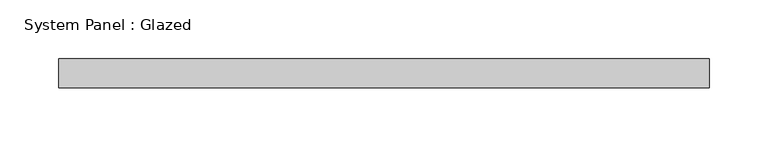
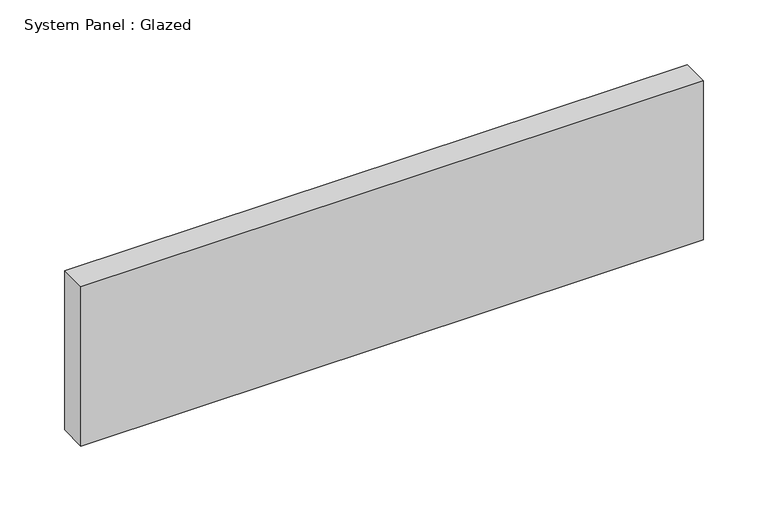
"""IFC4 building model written with IfcOpenShell, lengths in millimetres: plate geometry, System Panel : Glazed."""

from ifc_helpers import new_model, si_unit, origin, origin_with_axes, place, context, project, spatial, polyline, outline, extrude, source, transform, mapped, element, save


def system_panel_glazed_a3222b94(model_context):
    return source(origin(), model_context, "Body", "SweptSolid", [
        extrude(outline(polyline([(277.5, -49.5), (-277.5, -49.5), (-277.5, -24.5), (277.5, -24.5), (277.5, -49.5)])), origin_with_axes(), (0.0, 0.0, 1.0), 150.0),
    ])


if __name__ == "__main__":
    model = new_model("IFC4")
    model_context = context("Model", 3, world=origin())
    ifc_project = project(units=[si_unit("LENGTHUNIT", "METRE", prefix="MILLI")], contexts=[model_context])
    site = spatial("IfcSite", under=ifc_project)
    building = spatial("IfcBuilding", under=site)
    placement = place(None, origin())
    system_panel_glazed_shape = system_panel_glazed_a3222b94(model_context)
    element("IfcPlate", 1, ObjectType="System Panel : Glazed", at=placement, inside=building, context=model_context, shape_type="MappedRepresentation", body=[
        mapped(system_panel_glazed_shape, transform((0.0, 0.0, 0.0), x_axis=(1.0, 0.0, 0.0), y_axis=(0.0, 1.0, 0.0), z_axis=(0.0, 0.0, 1.0))),
    ])
    save(model, "model.ifc")
